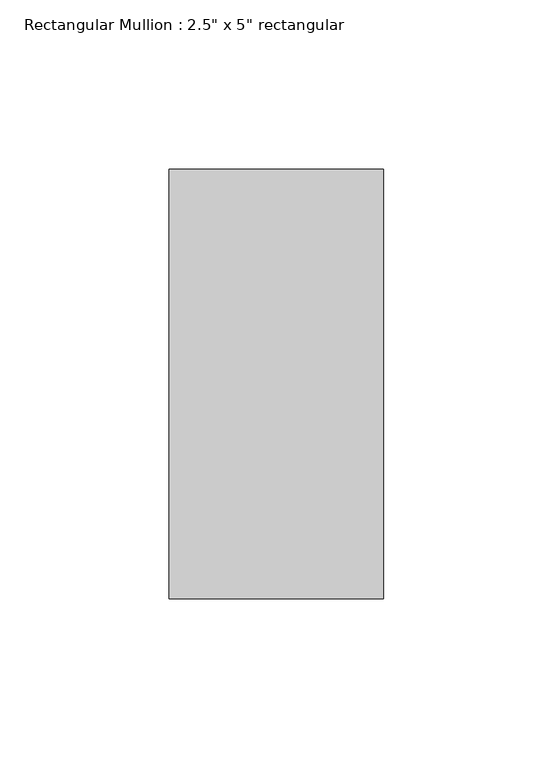
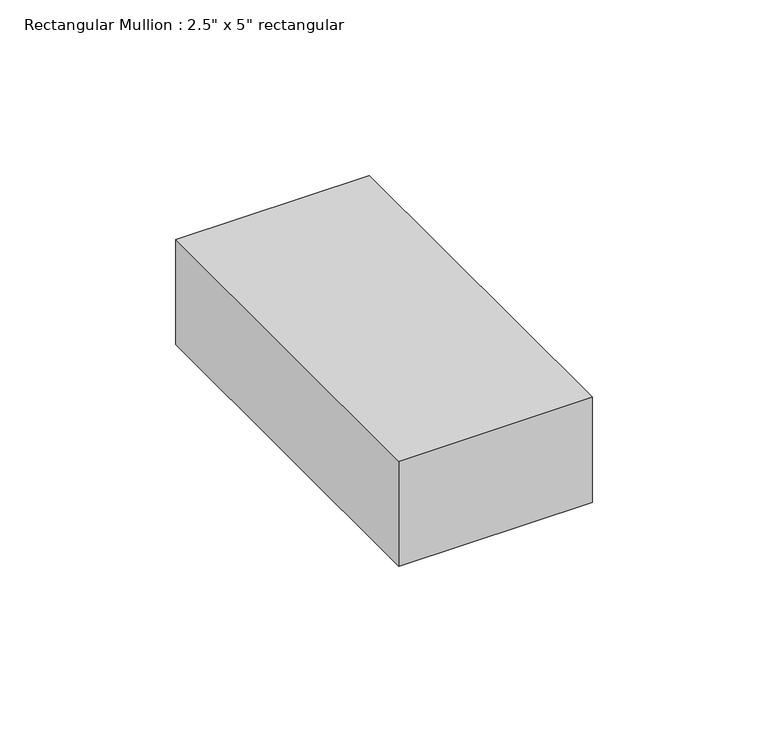
"""IFC4 building model written with IfcOpenShell, lengths in millimetres: member geometry."""

from ifc_helpers import new_model, si_unit, frame, origin, place, context, project, spatial, polyline, outline, extrude, source, transform, mapped, element, save


def member_41c5064a(model_context):
    return source(origin(), model_context, "Body", "SweptSolid", [
        extrude(outline(polyline([(0.0, 63.5), (0.0, -63.5), (-63.5, -63.5), (-63.5, 63.5), (0.0, 63.5)])), frame((0.0, 0.0, -36.4925621), z_axis=(0.0, 0.0, 1.0), x_axis=(1.0, 0.0, 0.0)), (0.0, 0.0, 1.0), 36.4925621),
    ])


if __name__ == "__main__":
    model = new_model("IFC4")
    model_context = context("Model", 3, world=origin())
    ifc_project = project(units=[si_unit("LENGTHUNIT", "METRE", prefix="MILLI")], contexts=[model_context])
    site = spatial("IfcSite", under=ifc_project)
    building = spatial("IfcBuilding", under=site)
    placement = place(None, origin())
    member_shape = member_41c5064a(model_context)
    element("IfcMember", 1, ObjectType="Rectangular Mullion : 2.5\" x 5\" rectangular", at=placement, inside=building, context=model_context, shape_type="MappedRepresentation", body=[
        mapped(member_shape, transform((0.0, 0.0, 0.0), x_axis=(1.0, 0.0, 0.0), y_axis=(0.0, 1.0, 0.0), z_axis=(0.0, 0.0, 1.0))),
    ])
    save(model, "model.ifc")
